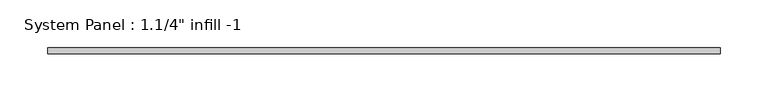
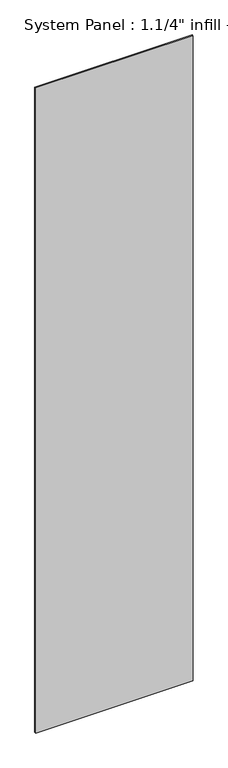
"""IFC4 building model written with IfcOpenShell, lengths in millimetres: plate geometry."""

import ifcopenshell
import ifcopenshell.guid

model = None  # the IFC model being written
_history = None  # IfcOwnerHistory: only IFC2X3 demands one
_inside = {}  # id of a spatial element -> (the spatial element, [elements in it])
_under = {}  # id of a project, library or spatial element -> (it, [spatial elements below it])
_declared = {}  # id of a project -> (the project, [libraries it declares])
_typed = {}  # id of a type object -> (the type object, [elements of that type])
_made_of = {}  # id of a material, layer set ... -> (it, [elements and type objects made of it])


def new_model(schema):
    """Start an empty IFC model of exactly this schema.

    Asked for "IFC4X3", IfcOpenShell would pick the latest addendum, in which some entities
    have other attributes; the version numbers below select the first issue.
    IFC2X3 requires an IfcOwnerHistory on every rooted entity: one is made here for all.
    """
    global model, _history
    if schema == "IFC4X3":
        model = ifcopenshell.file(schema_version=(4, 3, 0, 0))
    else:
        model = ifcopenshell.file(schema=schema)
    _inside.clear()
    _under.clear()
    _declared.clear()
    _typed.clear()
    _made_of.clear()
    _history = None
    if model.schema == "IFC2X3":
        org = make("IfcOrganization", Name="unknown")
        user = make(
            "IfcPersonAndOrganization",
            ThePerson=make("IfcPerson", FamilyName="unknown"),
            TheOrganization=org,
        )
        app = make(
            "IfcApplication",
            ApplicationDeveloper=org,
            Version="unknown",
            ApplicationFullName="unknown",
            ApplicationIdentifier="unknown",
        )
        _history = make(
            "IfcOwnerHistory",
            OwningUser=user,
            OwningApplication=app,
            ChangeAction="ADDED",
            CreationDate=0,
        )
    return model


def make(cls, **values):
    """One entity of the class cls with the attributes given. An attribute that is None is left unset."""
    return model.create_entity(
        cls, **{name: value for name, value in values.items() if value is not None}
    )


def rooted(cls, **values):
    """An entity with a GlobalId (a new one), such as an element, a storey or a relation."""
    return make(cls, GlobalId=ifcopenshell.guid.new(), OwnerHistory=_history, **values)


def si_unit(unit_type, name, prefix=None):
    """IfcSIUnit, for example si_unit("LENGTHUNIT", "METRE", prefix="MILLI")."""
    return make("IfcSIUnit", UnitType=unit_type, Prefix=prefix, Name=name)


def assignment(units):
    """IfcUnitAssignment: the units of a project."""
    return None if units is None else make("IfcUnitAssignment", Units=units)


def point(xyz):
    """IfcCartesianPoint."""
    return None if xyz is None else make("IfcCartesianPoint", Coordinates=xyz)


def direction(xyz):
    """IfcDirection."""
    return None if xyz is None else make("IfcDirection", DirectionRatios=xyz)


def frame(location, z_axis=None, x_axis=None):
    """IfcAxis2Placement3D, a coordinate frame: its origin and axes. An axis left out is left unset."""
    return make(
        "IfcAxis2Placement3D",
        Location=point(location),
        Axis=direction(z_axis),
        RefDirection=direction(x_axis),
    )


def origin():
    """The frame at (0, 0, 0) with its axes left unset."""
    return frame((0.0, 0.0, 0.0))


def origin_with_axes():
    """The frame at (0, 0, 0) with the z axis (0, 0, 1) and the x axis (1, 0, 0) written out."""
    return frame((0.0, 0.0, 0.0), z_axis=(0.0, 0.0, 1.0), x_axis=(1.0, 0.0, 0.0))


def place(relative_to, where):
    """IfcLocalPlacement: puts the frame where relative to a parent placement (None: the world)."""
    return make(
        "IfcLocalPlacement", PlacementRelTo=relative_to, RelativePlacement=where
    )


def context(
    kind, dimensions, precision=None, world=None, true_north=None, identifier=None
):
    """IfcGeometricRepresentationContext, for example the 3D "Model" context."""
    return make(
        "IfcGeometricRepresentationContext",
        ContextIdentifier=identifier,
        ContextType=kind,
        CoordinateSpaceDimension=dimensions,
        Precision=precision,
        WorldCoordinateSystem=world,
        TrueNorth=true_north,
    )


def project(units=None, contexts=None):
    """IfcProject with its units and contexts."""
    return rooted(
        "IfcProject",
        Name="project",
        RepresentationContexts=contexts,
        UnitsInContext=assignment(units),
    )


def spatial(cls, under=None, at=None, **own):
    """A site, building, storey or space (cls), placed at a placement, below another one or the project."""
    s = rooted(cls, ObjectPlacement=at, **own)
    if under is not None:
        _under.setdefault(under.id(), (under, []))[1].append(s)
    return s


def polyline(points):
    """IfcPolyline through the points."""
    return make("IfcPolyline", Points=[point(p) for p in points])


def outline(outer, holes=None, kind="AREA"):
    """IfcArbitraryClosedProfileDef: a profile drawn as a closed curve; with holes, ...WithVoids."""
    if holes is None:
        return make("IfcArbitraryClosedProfileDef", ProfileType=kind, OuterCurve=outer)
    return make(
        "IfcArbitraryProfileDefWithVoids",
        ProfileType=kind,
        OuterCurve=outer,
        InnerCurves=holes,
    )


def extrude(swept, where, along, depth):
    """IfcExtrudedAreaSolid: the profile swept, set in the frame where, extruded along a direction by depth."""
    return make(
        "IfcExtrudedAreaSolid",
        SweptArea=swept,
        Position=where,
        ExtrudedDirection=direction(along),
        Depth=depth,
    )


def shape(context_of_items, identifier, shape_type, items):
    """IfcShapeRepresentation: the items that make up one representation, for example the "Body"."""
    return make(
        "IfcShapeRepresentation",
        ContextOfItems=context_of_items,
        RepresentationIdentifier=identifier,
        RepresentationType=shape_type,
        Items=items,
    )


def source(mapping_origin, context_of_items, identifier, shape_type, items):
    """IfcRepresentationMap: a shape defined once, which mapped items show again and again."""
    return make(
        "IfcRepresentationMap",
        MappingOrigin=mapping_origin,
        MappedRepresentation=shape(context_of_items, identifier, shape_type, items),
    )


def transform(
    local_origin,
    x_axis=None,
    y_axis=None,
    z_axis=None,
    scale=None,
    scale2=None,
    scale3=None,
    uniform=True,
):
    """IfcCartesianTransformationOperator3D, or its non-uniform kind. x_axis, y_axis, z_axis: its Axis1, 2, 3."""
    if uniform:
        return make(
            "IfcCartesianTransformationOperator3D",
            Axis1=direction(x_axis),
            Axis2=direction(y_axis),
            LocalOrigin=point(local_origin),
            Scale=scale,
            Axis3=direction(z_axis),
        )
    return make(
        "IfcCartesianTransformationOperator3DnonUniform",
        Axis1=direction(x_axis),
        Axis2=direction(y_axis),
        LocalOrigin=point(local_origin),
        Scale=scale,
        Axis3=direction(z_axis),
        Scale2=scale2,
        Scale3=scale3,
    )


def mapped(mapping_source, mapping_target):
    """IfcMappedItem: shows the shape of a source again, moved by a transform."""
    return make(
        "IfcMappedItem", MappingSource=mapping_source, MappingTarget=mapping_target
    )


def made_of(thing, what):
    """Note that an element or type object is made of a material, layer set ...; save() writes the relation."""
    if what is not None:
        _made_of.setdefault(what.id(), (what, []))[1].append(thing)
    return thing


def element(
    cls,
    number,
    at=None,
    inside=None,
    cuts=None,
    type_object=None,
    material=None,
    context=None,
    identifier="Body",
    shape_type=None,
    held_by="IfcProductDefinitionShape",
    body=None,
    shapes=None,
    **own,
):
    """One element of the class cls, such as IfcWall. Its Tag is "e" and its number.

    at: its placement. inside: the storey or other place that contains it. cuts: it is an
    opening in that element (IfcRelVoidsElement). A single representation is given by context,
    identifier, shape_type and body (its items); several are given by shapes. held_by: the class
    of the entity that holds the representations. save() writes the other relations.
    """
    e = rooted(cls, Tag="e%d" % number, ObjectPlacement=at, **own)
    if body is not None:
        shapes = [shape(context, identifier, shape_type, body)]
    if shapes is not None:
        e.Representation = make(held_by, Representations=shapes)
    if inside is not None:
        _inside.setdefault(inside.id(), (inside, []))[1].append(e)
    if cuts is not None:
        rooted(
            "IfcRelVoidsElement", RelatingBuildingElement=cuts, RelatedOpeningElement=e
        )
    if type_object is not None:
        _typed.setdefault(type_object.id(), (type_object, []))[1].append(e)
    return made_of(e, material)


def aggregate(whole, parts):
    """IfcRelAggregates: a whole, such as a stair, and the parts it consists of."""
    return rooted("IfcRelAggregates", RelatingObject=whole, RelatedObjects=parts)


def save(model, path):
    """Write the relations noted so far, then the file.

    IfcRelAggregates (storeys below a building ...), IfcRelContainedInSpatialStructure (elements
    in a storey), IfcRelDefinesByType, IfcRelAssociatesMaterial and IfcRelDeclares: one each for
    every whole, place, type object, material and project.
    """
    for whole, parts in _under.values():
        aggregate(whole, parts)
    for where, things in _inside.values():
        rooted(
            "IfcRelContainedInSpatialStructure",
            RelatedElements=things,
            RelatingStructure=where,
        )
    for kind, things in _typed.values():
        rooted("IfcRelDefinesByType", RelatedObjects=things, RelatingType=kind)
    for what, things in _made_of.values():
        rooted("IfcRelAssociatesMaterial", RelatedObjects=things, RelatingMaterial=what)
    for by, libraries in _declared.values():
        rooted("IfcRelDeclares", RelatingContext=by, RelatedDefinitions=libraries)
    model.write(path)


def plate_c1605c68(model_context):
    return source(origin(), model_context, "Body", "SweptSolid", [
        extrude(outline(polyline([(352.425, 0.0), (-352.425, 0.0), (-352.425, 6.35), (352.425, 6.35), (352.425, 0.0)])), origin_with_axes(), (0.0, 0.0, 1.0), 3048.0),
    ])


if __name__ == "__main__":
    model = new_model("IFC4")
    model_context = context("Model", 3, world=origin())
    ifc_project = project(units=[si_unit("LENGTHUNIT", "METRE", prefix="MILLI")], contexts=[model_context])
    site = spatial("IfcSite", under=ifc_project)
    building = spatial("IfcBuilding", under=site)
    placement = place(None, origin())
    plate_shape = plate_c1605c68(model_context)
    element("IfcPlate", 1, ObjectType="System Panel : 1.1/4\" infill -1", at=placement, inside=building, context=model_context, shape_type="MappedRepresentation", body=[
        mapped(plate_shape, transform((0.0, 0.0, 0.0), x_axis=(1.0, 0.0, 0.0), y_axis=(0.0, 1.0, 0.0), z_axis=(0.0, 0.0, 1.0))),
    ])
    save(model, "model.ifc")
